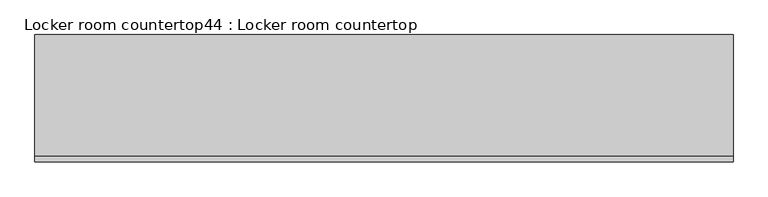
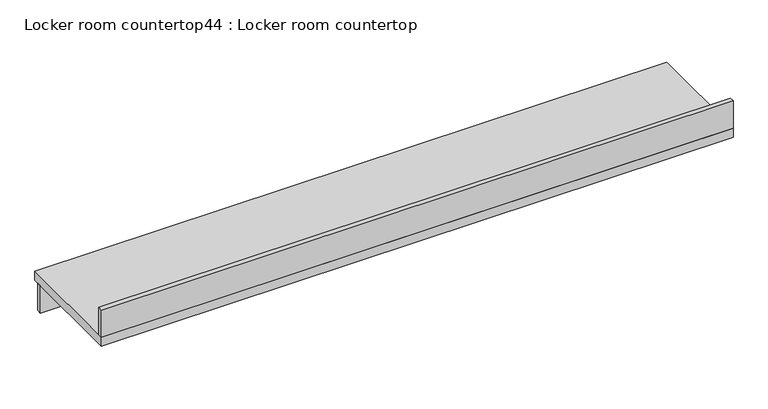
"""IFC4 building model written with IfcOpenShell, lengths in millimetres: furniture geometry, Locker room countertop44 : Locker room countertop."""

import ifcopenshell
import ifcopenshell.guid

model = None  # the IFC model being written
_history = None  # IfcOwnerHistory: only IFC2X3 demands one
_inside = {}  # id of a spatial element -> (the spatial element, [elements in it])
_under = {}  # id of a project, library or spatial element -> (it, [spatial elements below it])
_declared = {}  # id of a project -> (the project, [libraries it declares])
_typed = {}  # id of a type object -> (the type object, [elements of that type])
_made_of = {}  # id of a material, layer set ... -> (it, [elements and type objects made of it])


def new_model(schema):
    """Start an empty IFC model of exactly this schema.

    Asked for "IFC4X3", IfcOpenShell would pick the latest addendum, in which some entities
    have other attributes; the version numbers below select the first issue.
    IFC2X3 requires an IfcOwnerHistory on every rooted entity: one is made here for all.
    """
    global model, _history
    if schema == "IFC4X3":
        model = ifcopenshell.file(schema_version=(4, 3, 0, 0))
    else:
        model = ifcopenshell.file(schema=schema)
    _inside.clear()
    _under.clear()
    _declared.clear()
    _typed.clear()
    _made_of.clear()
    _history = None
    if model.schema == "IFC2X3":
        org = make("IfcOrganization", Name="unknown")
        user = make(
            "IfcPersonAndOrganization",
            ThePerson=make("IfcPerson", FamilyName="unknown"),
            TheOrganization=org,
        )
        app = make(
            "IfcApplication",
            ApplicationDeveloper=org,
            Version="unknown",
            ApplicationFullName="unknown",
            ApplicationIdentifier="unknown",
        )
        _history = make(
            "IfcOwnerHistory",
            OwningUser=user,
            OwningApplication=app,
            ChangeAction="ADDED",
            CreationDate=0,
        )
    return model


def make(cls, **values):
    """One entity of the class cls with the attributes given. An attribute that is None is left unset."""
    return model.create_entity(
        cls, **{name: value for name, value in values.items() if value is not None}
    )


def rooted(cls, **values):
    """An entity with a GlobalId (a new one), such as an element, a storey or a relation."""
    return make(cls, GlobalId=ifcopenshell.guid.new(), OwnerHistory=_history, **values)


def si_unit(unit_type, name, prefix=None):
    """IfcSIUnit, for example si_unit("LENGTHUNIT", "METRE", prefix="MILLI")."""
    return make("IfcSIUnit", UnitType=unit_type, Prefix=prefix, Name=name)


def assignment(units):
    """IfcUnitAssignment: the units of a project."""
    return None if units is None else make("IfcUnitAssignment", Units=units)


def point(xyz):
    """IfcCartesianPoint."""
    return None if xyz is None else make("IfcCartesianPoint", Coordinates=xyz)


def direction(xyz):
    """IfcDirection."""
    return None if xyz is None else make("IfcDirection", DirectionRatios=xyz)


def frame(location, z_axis=None, x_axis=None):
    """IfcAxis2Placement3D, a coordinate frame: its origin and axes. An axis left out is left unset."""
    return make(
        "IfcAxis2Placement3D",
        Location=point(location),
        Axis=direction(z_axis),
        RefDirection=direction(x_axis),
    )


def origin():
    """The frame at (0, 0, 0) with its axes left unset."""
    return frame((0.0, 0.0, 0.0))


def place(relative_to, where):
    """IfcLocalPlacement: puts the frame where relative to a parent placement (None: the world)."""
    return make(
        "IfcLocalPlacement", PlacementRelTo=relative_to, RelativePlacement=where
    )


def context(
    kind, dimensions, precision=None, world=None, true_north=None, identifier=None
):
    """IfcGeometricRepresentationContext, for example the 3D "Model" context."""
    return make(
        "IfcGeometricRepresentationContext",
        ContextIdentifier=identifier,
        ContextType=kind,
        CoordinateSpaceDimension=dimensions,
        Precision=precision,
        WorldCoordinateSystem=world,
        TrueNorth=true_north,
    )


def project(units=None, contexts=None):
    """IfcProject with its units and contexts."""
    return rooted(
        "IfcProject",
        Name="project",
        RepresentationContexts=contexts,
        UnitsInContext=assignment(units),
    )


def spatial(cls, under=None, at=None, **own):
    """A site, building, storey or space (cls), placed at a placement, below another one or the project."""
    s = rooted(cls, ObjectPlacement=at, **own)
    if under is not None:
        _under.setdefault(under.id(), (under, []))[1].append(s)
    return s


def polyline(points):
    """IfcPolyline through the points."""
    return make("IfcPolyline", Points=[point(p) for p in points])


def outline(outer, holes=None, kind="AREA"):
    """IfcArbitraryClosedProfileDef: a profile drawn as a closed curve; with holes, ...WithVoids."""
    if holes is None:
        return make("IfcArbitraryClosedProfileDef", ProfileType=kind, OuterCurve=outer)
    return make(
        "IfcArbitraryProfileDefWithVoids",
        ProfileType=kind,
        OuterCurve=outer,
        InnerCurves=holes,
    )


def extrude(swept, where, along, depth):
    """IfcExtrudedAreaSolid: the profile swept, set in the frame where, extruded along a direction by depth."""
    return make(
        "IfcExtrudedAreaSolid",
        SweptArea=swept,
        Position=where,
        ExtrudedDirection=direction(along),
        Depth=depth,
    )


def shape(context_of_items, identifier, shape_type, items):
    """IfcShapeRepresentation: the items that make up one representation, for example the "Body"."""
    return make(
        "IfcShapeRepresentation",
        ContextOfItems=context_of_items,
        RepresentationIdentifier=identifier,
        RepresentationType=shape_type,
        Items=items,
    )


def source(mapping_origin, context_of_items, identifier, shape_type, items):
    """IfcRepresentationMap: a shape defined once, which mapped items show again and again."""
    return make(
        "IfcRepresentationMap",
        MappingOrigin=mapping_origin,
        MappedRepresentation=shape(context_of_items, identifier, shape_type, items),
    )


def transform(
    local_origin,
    x_axis=None,
    y_axis=None,
    z_axis=None,
    scale=None,
    scale2=None,
    scale3=None,
    uniform=True,
):
    """IfcCartesianTransformationOperator3D, or its non-uniform kind. x_axis, y_axis, z_axis: its Axis1, 2, 3."""
    if uniform:
        return make(
            "IfcCartesianTransformationOperator3D",
            Axis1=direction(x_axis),
            Axis2=direction(y_axis),
            LocalOrigin=point(local_origin),
            Scale=scale,
            Axis3=direction(z_axis),
        )
    return make(
        "IfcCartesianTransformationOperator3DnonUniform",
        Axis1=direction(x_axis),
        Axis2=direction(y_axis),
        LocalOrigin=point(local_origin),
        Scale=scale,
        Axis3=direction(z_axis),
        Scale2=scale2,
        Scale3=scale3,
    )


def mapped(mapping_source, mapping_target):
    """IfcMappedItem: shows the shape of a source again, moved by a transform."""
    return make(
        "IfcMappedItem", MappingSource=mapping_source, MappingTarget=mapping_target
    )


def made_of(thing, what):
    """Note that an element or type object is made of a material, layer set ...; save() writes the relation."""
    if what is not None:
        _made_of.setdefault(what.id(), (what, []))[1].append(thing)
    return thing


def element(
    cls,
    number,
    at=None,
    inside=None,
    cuts=None,
    type_object=None,
    material=None,
    context=None,
    identifier="Body",
    shape_type=None,
    held_by="IfcProductDefinitionShape",
    body=None,
    shapes=None,
    **own,
):
    """One element of the class cls, such as IfcWall. Its Tag is "e" and its number.

    at: its placement. inside: the storey or other place that contains it. cuts: it is an
    opening in that element (IfcRelVoidsElement). A single representation is given by context,
    identifier, shape_type and body (its items); several are given by shapes. held_by: the class
    of the entity that holds the representations. save() writes the other relations.
    """
    e = rooted(cls, Tag="e%d" % number, ObjectPlacement=at, **own)
    if body is not None:
        shapes = [shape(context, identifier, shape_type, body)]
    if shapes is not None:
        e.Representation = make(held_by, Representations=shapes)
    if inside is not None:
        _inside.setdefault(inside.id(), (inside, []))[1].append(e)
    if cuts is not None:
        rooted(
            "IfcRelVoidsElement", RelatingBuildingElement=cuts, RelatedOpeningElement=e
        )
    if type_object is not None:
        _typed.setdefault(type_object.id(), (type_object, []))[1].append(e)
    return made_of(e, material)


def aggregate(whole, parts):
    """IfcRelAggregates: a whole, such as a stair, and the parts it consists of."""
    return rooted("IfcRelAggregates", RelatingObject=whole, RelatedObjects=parts)


def save(model, path):
    """Write the relations noted so far, then the file.

    IfcRelAggregates (storeys below a building ...), IfcRelContainedInSpatialStructure (elements
    in a storey), IfcRelDefinesByType, IfcRelAssociatesMaterial and IfcRelDeclares: one each for
    every whole, place, type object, material and project.
    """
    for whole, parts in _under.values():
        aggregate(whole, parts)
    for where, things in _inside.values():
        rooted(
            "IfcRelContainedInSpatialStructure",
            RelatedElements=things,
            RelatingStructure=where,
        )
    for kind, things in _typed.values():
        rooted("IfcRelDefinesByType", RelatedObjects=things, RelatingType=kind)
    for what, things in _made_of.values():
        rooted("IfcRelAssociatesMaterial", RelatedObjects=things, RelatingMaterial=what)
    for by, libraries in _declared.values():
        rooted("IfcRelDeclares", RelatingContext=by, RelatedDefinitions=libraries)
    model.write(path)


def locker_room_countertop44_locker_room_countertop_51a6febb(model_context):
    return source(origin(), model_context, "Body", "SweptSolid", [
        extrude(outline(polyline([(249294.4379676, -306085.0955223), (249294.4379676, -306110.4955223), (245947.9879676, -306110.4955223), (245947.9879676, -306085.0955223), (249294.4379676, -306085.0955223)])), frame((0.0, 0.0, 660.4), z_axis=(0.0, 0.0, 1.0), x_axis=(1.0, 0.0, 0.0)), (0.0, 0.0, 1.0), 152.4),
        extrude(outline(polyline([(245947.9879676, -306643.8955223), (249294.4379676, -306643.8955223), (249294.4379676, -306669.2955223), (245947.9879676, -306669.2955223), (245947.9879676, -306643.8955223)])), frame((0.0, 0.0, 863.6), z_axis=(0.0, 0.0, 1.0), x_axis=(1.0, 0.0, 0.0)), (0.0, 0.0, 1.0), 152.4),
        extrude(outline(polyline([(245947.9879676, -306059.6955223), (249294.4379676, -306059.6955223), (249294.4379676, -306669.2955223), (245947.9879676, -306669.2955223), (245947.9879676, -306059.6955223)])), frame((0.0, 0.0, 812.8), z_axis=(0.0, 0.0, 1.0), x_axis=(1.0, 0.0, 0.0)), (0.0, 0.0, 1.0), 50.8),
    ])


if __name__ == "__main__":
    model = new_model("IFC4")
    model_context = context("Model", 3, world=origin())
    ifc_project = project(units=[si_unit("LENGTHUNIT", "METRE", prefix="MILLI")], contexts=[model_context])
    site = spatial("IfcSite", under=ifc_project)
    building = spatial("IfcBuilding", under=site)
    placement = place(None, origin())
    locker_room_countertop44_locker_room_countertop_shape = locker_room_countertop44_locker_room_countertop_51a6febb(model_context)
    element("IfcFurniture", 1, ObjectType="Locker room countertop44 : Locker room countertop", at=placement, inside=building, context=model_context, shape_type="MappedRepresentation", body=[
        mapped(locker_room_countertop44_locker_room_countertop_shape, transform((0.0, 0.0, 0.0), x_axis=(1.0, 0.0, 0.0), y_axis=(0.0, 1.0, 0.0), z_axis=(0.0, 0.0, 1.0))),
    ])
    save(model, "model.ifc")
